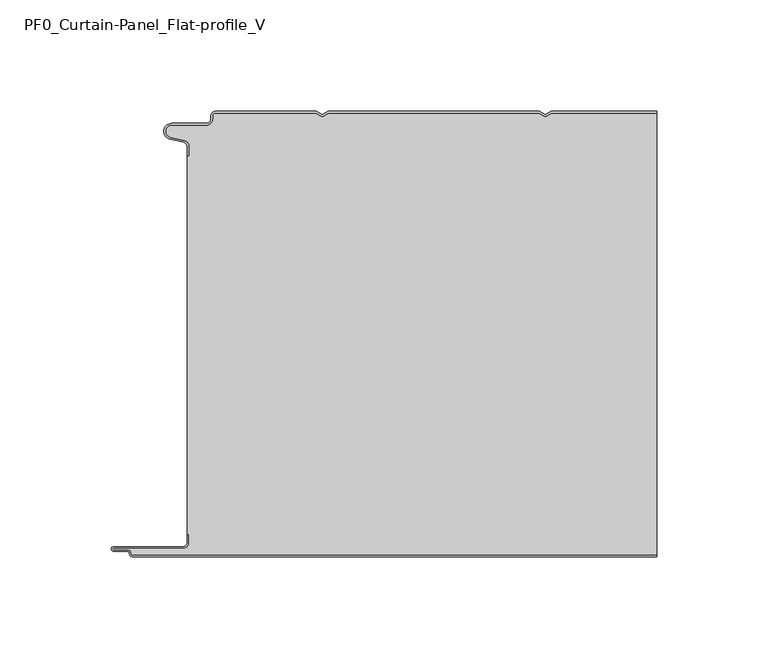
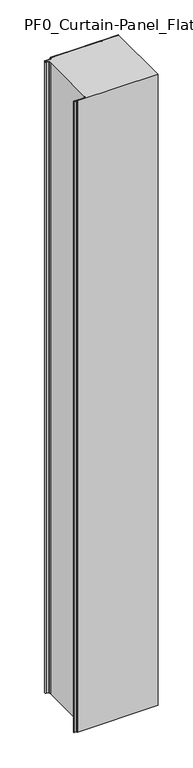
"""IFC4 building model written with IfcOpenShell, lengths in millimetres: plate geometry, PF0_Curtain-Panel_Flat-profile_V."""

from ifc_helpers import new_model, si_unit, point, frame_2d, origin, origin_with_axes, place, context, project, spatial, polyline, circle_curve, trimmed, segment, composite_curve, outline, extrude, source, transform, mapped, element, save


def pf0_curtain_panel_flat_profile_v_edf1b7b4(model_context):
    return source(origin(), model_context, "Body", "SweptSolid", [
        extrude(outline(composite_curve([segment(trimmed(circle_curve(frame_2d((-102.0119739, -15.878557)), 2.0), [point((-100.0119739, -15.878557))], [point((-101.5620718, -13.9298169))], True, "CARTESIAN"), True, "CONTINUOUS"), segment(polyline([(-101.5620718, -13.9298169), (-107.7217978, -12.507732)]), True, "CONTINUOUS"), segment(trimmed(circle_curve(frame_2d((-106.9119739, -9.0)), 3.6), [point((-107.7217978, -12.507732))], [point((-106.9119739, -5.4))], False, "CARTESIAN"), True, "CONTINUOUS"), segment(polyline([(-106.9119739, -5.4), (-91.4119739, -5.4)]), True, "CONTINUOUS"), segment(trimmed(circle_curve(frame_2d((-91.4119739, -3.4)), 2.0), [point((-91.4119739, -5.4))], [point((-89.4119739, -3.4))], True, "CARTESIAN"), True, "CONTINUOUS"), segment(polyline([(-89.4119739, -3.4), (-89.4119739, -2.0)]), True, "CONTINUOUS"), segment(trimmed(circle_curve(frame_2d((-87.4119739, -2.0)), 2.0), [point((-89.4119739, -2.0))], [point((-87.4119739, 0.0))], False, "CARTESIAN"), True, "CONTINUOUS"), segment(polyline([(-87.4119739, 0.0), (-42.1119734, 0.0), (-39.4119739, -1.5588455), (-36.7119745, 0.0), (57.8880266, 0.0), (60.5880261, -1.5588455), (63.2880255, 0.0), (110.6119739, 0.0), (110.6119739, -0.8), (63.5023849, -0.8), (60.5880261, -2.482606), (57.6736672, -0.8), (-36.4976151, -0.8), (-39.4119739, -2.482606), (-42.3263328, -0.8), (-87.4119739, -0.8)]), True, "CONTINUOUS"), segment(trimmed(circle_curve(frame_2d((-87.4119739, -2.0)), 1.2), [point((-87.4119739, -0.8))], [point((-88.6119739, -2.0))], True, "CARTESIAN"), True, "CONTINUOUS"), segment(polyline([(-88.6119739, -2.0), (-88.6119739, -3.4)]), True, "CONTINUOUS"), segment(trimmed(circle_curve(frame_2d((-91.4119739, -3.4)), 2.8), [point((-88.6119739, -3.4))], [point((-91.4119739, -6.2))], False, "CARTESIAN"), True, "CONTINUOUS"), segment(polyline([(-91.4119739, -6.2), (-106.9119739, -6.2)]), True, "CONTINUOUS"), segment(trimmed(circle_curve(frame_2d((-106.9119739, -9.0)), 2.8), [point((-106.9119739, -6.2))], [point((-107.541837, -11.7282362))], True, "CARTESIAN"), True, "CONTINUOUS"), segment(polyline([(-107.541837, -11.7282362), (-101.3821109, -13.150321)]), True, "CONTINUOUS"), segment(trimmed(circle_curve(frame_2d((-102.0119739, -15.878557)), 2.8), [point((-101.3821109, -13.150321))], [point((-99.2119739, -15.878557))], False, "CARTESIAN"), True, "CONTINUOUS"), segment(polyline([(-99.2119739, -15.878557), (-99.2119739, -20.0), (-100.0119739, -20.0), (-100.0119739, -15.878557)]), True, "CONTINUOUS")], self_intersect=False)), origin_with_axes(), (0.0, 0.0, 1.0), 1945.7507136),
        extrude(outline(composite_curve([segment(polyline([(-99.2119739, -190.0), (-100.0119739, -190.0), (-100.0119739, -20.0), (-99.2119739, -20.0), (-99.2119739, -15.878557)]), True, "CONTINUOUS"), segment(trimmed(circle_curve(frame_2d((-102.0119739, -15.878557)), 2.8), [point((-99.2119739, -15.878557))], [point((-101.3821109, -13.1503208))], True, "CARTESIAN"), True, "CONTINUOUS"), segment(polyline([(-101.3821109, -13.1503208), (-107.5418369, -11.7282362)]), True, "CONTINUOUS"), segment(trimmed(circle_curve(frame_2d((-106.9119739, -9.0)), 2.8), [point((-107.5418369, -11.7282362))], [point((-106.9119739, -6.2))], False, "CARTESIAN"), True, "CONTINUOUS"), segment(polyline([(-106.9119739, -6.2), (-91.4119739, -6.2)]), True, "CONTINUOUS"), segment(trimmed(circle_curve(frame_2d((-91.4119739, -3.4)), 2.8), [point((-91.4119739, -6.2))], [point((-88.6119739, -3.4))], True, "CARTESIAN"), True, "CONTINUOUS"), segment(polyline([(-88.6119739, -3.4), (-88.6119739, -2.0)]), True, "CONTINUOUS"), segment(trimmed(circle_curve(frame_2d((-87.4119739, -2.0)), 1.2), [point((-88.6119739, -2.0))], [point((-87.4119739, -0.8))], False, "CARTESIAN"), True, "CONTINUOUS"), segment(polyline([(-87.4119739, -0.8), (-42.3263328, -0.8), (-39.4119739, -2.482606), (-36.4976151, -0.8), (57.6736672, -0.8), (60.5880261, -2.482606), (63.5023849, -0.8), (110.6119739, -0.8), (110.6119739, -199.2), (-124.4119739, -199.2)]), True, "CONTINUOUS"), segment(trimmed(circle_curve(frame_2d((-124.4119739, -198.4)), 0.8), [point((-124.4119739, -199.2))], [point((-125.2119739, -198.4))], False, "CARTESIAN"), True, "CONTINUOUS"), segment(trimmed(circle_curve(frame_2d((-126.9119739, -198.6133333)), 1.7133333), [point((-125.2119739, -198.4))], [point((-126.9119739, -196.9))], True, "CARTESIAN"), True, "CONTINUOUS"), segment(polyline([(-126.9119739, -196.9), (-132.8820051, -196.9)]), True, "CONTINUOUS"), segment(trimmed(circle_curve(frame_2d((-132.8820051, -196.6)), 0.3), [point((-132.8820051, -196.9))], [point((-132.8820051, -196.3))], False, "CARTESIAN"), True, "CONTINUOUS"), segment(polyline([(-132.8820051, -196.3), (-102.0119739, -196.3)]), True, "CONTINUOUS"), segment(trimmed(circle_curve(frame_2d((-102.0119739, -193.5)), 2.8), [point((-102.0119739, -196.3))], [point((-99.2119739, -193.5))], True, "CARTESIAN"), True, "CONTINUOUS"), segment(polyline([(-99.2119739, -193.5), (-99.2119739, -190.0)]), True, "CONTINUOUS")], self_intersect=False)), origin_with_axes(), (0.0, 0.0, 1.0), 1945.7507136),
        extrude(outline(composite_curve([segment(polyline([(-100.0119739, -190.0), (-99.2119739, -190.0), (-99.2119739, -193.5)]), True, "CONTINUOUS"), segment(trimmed(circle_curve(frame_2d((-102.0119739, -193.5)), 2.8), [point((-99.2119739, -193.5))], [point((-102.0119739, -196.3))], False, "CARTESIAN"), True, "CONTINUOUS"), segment(polyline([(-102.0119739, -196.3), (-132.8820051, -196.3)]), True, "CONTINUOUS"), segment(trimmed(circle_curve(frame_2d((-132.8820051, -196.6)), 0.3), [point((-132.8820051, -196.3))], [point((-132.8820051, -196.9))], True, "CARTESIAN"), True, "CONTINUOUS"), segment(polyline([(-132.8820051, -196.9), (-126.9119739, -196.9)]), True, "CONTINUOUS"), segment(trimmed(circle_curve(frame_2d((-126.9119739, -198.6133333)), 1.7133333), [point((-126.9119739, -196.9))], [point((-125.2119739, -198.4))], False, "CARTESIAN"), True, "CONTINUOUS"), segment(trimmed(circle_curve(frame_2d((-124.4119739, -198.4)), 0.8), [point((-125.2119739, -198.4))], [point((-124.4119739, -199.2))], True, "CARTESIAN"), True, "CONTINUOUS"), segment(polyline([(-124.4119739, -199.2), (110.6119739, -199.2), (110.6119739, -200.0), (-124.4119739, -200.0)]), True, "CONTINUOUS"), segment(trimmed(circle_curve(frame_2d((-124.4119739, -198.4)), 1.6), [point((-124.4119739, -200.0))], [point((-126.0119739, -198.4))], False, "CARTESIAN"), True, "CONTINUOUS"), segment(trimmed(circle_curve(frame_2d((-126.9119739, -198.4)), 0.9), [point((-126.0119739, -198.4))], [point((-126.9119739, -197.5))], True, "CARTESIAN"), True, "CONTINUOUS"), segment(polyline([(-126.9119739, -197.5), (-133.0119739, -197.5)]), True, "CONTINUOUS"), segment(trimmed(circle_curve(frame_2d((-133.0119739, -196.5)), 1.0), [point((-133.0119739, -197.5))], [point((-133.0119739, -195.5))], False, "CARTESIAN"), True, "CONTINUOUS"), segment(polyline([(-133.0119739, -195.5), (-102.0119739, -195.5)]), True, "CONTINUOUS"), segment(trimmed(circle_curve(frame_2d((-102.0119739, -193.5)), 2.0), [point((-102.0119739, -195.5))], [point((-100.0119739, -193.5))], True, "CARTESIAN"), True, "CONTINUOUS"), segment(polyline([(-100.0119739, -193.5), (-100.0119739, -190.0)]), True, "CONTINUOUS")], self_intersect=False)), origin_with_axes(), (0.0, 0.0, 1.0), 1945.7507136),
    ])


if __name__ == "__main__":
    model = new_model("IFC4")
    model_context = context("Model", 3, world=origin())
    ifc_project = project(units=[si_unit("LENGTHUNIT", "METRE", prefix="MILLI")], contexts=[model_context])
    site = spatial("IfcSite", under=ifc_project)
    building = spatial("IfcBuilding", under=site)
    placement = place(None, origin())
    pf0_curtain_panel_flat_profile_v_shape = pf0_curtain_panel_flat_profile_v_edf1b7b4(model_context)
    element("IfcPlate", 1, ObjectType="PF0_Curtain-Panel_Flat-profile_V", at=placement, inside=building, context=model_context, shape_type="MappedRepresentation", body=[
        mapped(pf0_curtain_panel_flat_profile_v_shape, transform((0.0, 0.0, 0.0), x_axis=(1.0, 0.0, 0.0), y_axis=(0.0, 1.0, 0.0), z_axis=(0.0, 0.0, 1.0))),
    ])
    save(model, "model.ifc")
